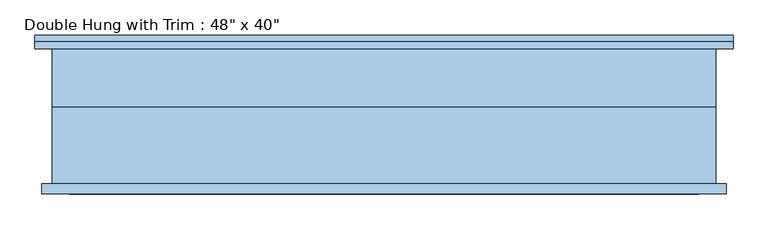
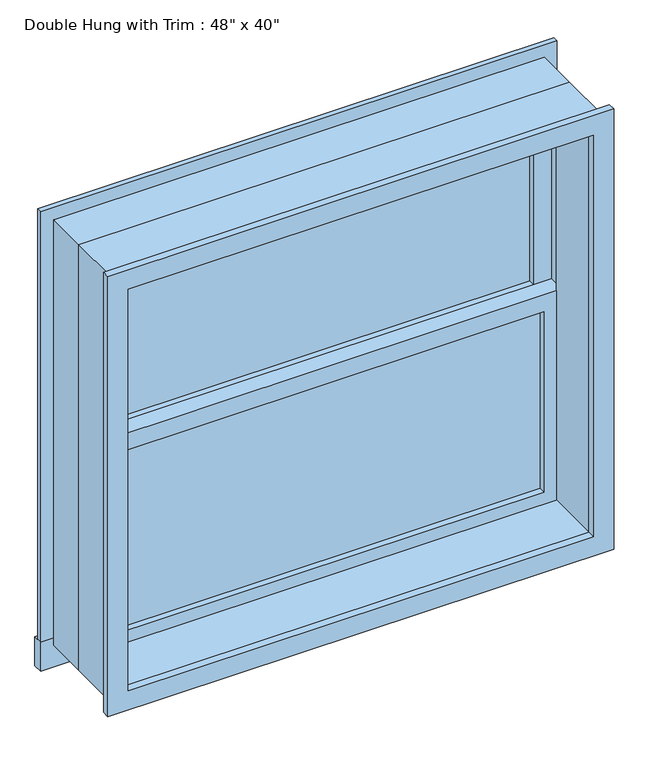
"""IFC4 building model written with IfcOpenShell, lengths in millimetres: window geometry."""

import ifcopenshell
import ifcopenshell.guid

model = None  # the IFC model being written
_history = None  # IfcOwnerHistory: only IFC2X3 demands one
_inside = {}  # id of a spatial element -> (the spatial element, [elements in it])
_under = {}  # id of a project, library or spatial element -> (it, [spatial elements below it])
_declared = {}  # id of a project -> (the project, [libraries it declares])
_typed = {}  # id of a type object -> (the type object, [elements of that type])
_made_of = {}  # id of a material, layer set ... -> (it, [elements and type objects made of it])


def new_model(schema):
    """Start an empty IFC model of exactly this schema.

    Asked for "IFC4X3", IfcOpenShell would pick the latest addendum, in which some entities
    have other attributes; the version numbers below select the first issue.
    IFC2X3 requires an IfcOwnerHistory on every rooted entity: one is made here for all.
    """
    global model, _history
    if schema == "IFC4X3":
        model = ifcopenshell.file(schema_version=(4, 3, 0, 0))
    else:
        model = ifcopenshell.file(schema=schema)
    _inside.clear()
    _under.clear()
    _declared.clear()
    _typed.clear()
    _made_of.clear()
    _history = None
    if model.schema == "IFC2X3":
        org = make("IfcOrganization", Name="unknown")
        user = make(
            "IfcPersonAndOrganization",
            ThePerson=make("IfcPerson", FamilyName="unknown"),
            TheOrganization=org,
        )
        app = make(
            "IfcApplication",
            ApplicationDeveloper=org,
            Version="unknown",
            ApplicationFullName="unknown",
            ApplicationIdentifier="unknown",
        )
        _history = make(
            "IfcOwnerHistory",
            OwningUser=user,
            OwningApplication=app,
            ChangeAction="ADDED",
            CreationDate=0,
        )
    return model


def make(cls, **values):
    """One entity of the class cls with the attributes given. An attribute that is None is left unset."""
    return model.create_entity(
        cls, **{name: value for name, value in values.items() if value is not None}
    )


def rooted(cls, **values):
    """An entity with a GlobalId (a new one), such as an element, a storey or a relation."""
    return make(cls, GlobalId=ifcopenshell.guid.new(), OwnerHistory=_history, **values)


def si_unit(unit_type, name, prefix=None):
    """IfcSIUnit, for example si_unit("LENGTHUNIT", "METRE", prefix="MILLI")."""
    return make("IfcSIUnit", UnitType=unit_type, Prefix=prefix, Name=name)


def assignment(units):
    """IfcUnitAssignment: the units of a project."""
    return None if units is None else make("IfcUnitAssignment", Units=units)


def point(xyz):
    """IfcCartesianPoint."""
    return None if xyz is None else make("IfcCartesianPoint", Coordinates=xyz)


def direction(xyz):
    """IfcDirection."""
    return None if xyz is None else make("IfcDirection", DirectionRatios=xyz)


def frame(location, z_axis=None, x_axis=None):
    """IfcAxis2Placement3D, a coordinate frame: its origin and axes. An axis left out is left unset."""
    return make(
        "IfcAxis2Placement3D",
        Location=point(location),
        Axis=direction(z_axis),
        RefDirection=direction(x_axis),
    )


def origin():
    """The frame at (0, 0, 0) with its axes left unset."""
    return frame((0.0, 0.0, 0.0))


def place(relative_to, where):
    """IfcLocalPlacement: puts the frame where relative to a parent placement (None: the world)."""
    return make(
        "IfcLocalPlacement", PlacementRelTo=relative_to, RelativePlacement=where
    )


def context(
    kind, dimensions, precision=None, world=None, true_north=None, identifier=None
):
    """IfcGeometricRepresentationContext, for example the 3D "Model" context."""
    return make(
        "IfcGeometricRepresentationContext",
        ContextIdentifier=identifier,
        ContextType=kind,
        CoordinateSpaceDimension=dimensions,
        Precision=precision,
        WorldCoordinateSystem=world,
        TrueNorth=true_north,
    )


def project(units=None, contexts=None):
    """IfcProject with its units and contexts."""
    return rooted(
        "IfcProject",
        Name="project",
        RepresentationContexts=contexts,
        UnitsInContext=assignment(units),
    )


def spatial(cls, under=None, at=None, **own):
    """A site, building, storey or space (cls), placed at a placement, below another one or the project."""
    s = rooted(cls, ObjectPlacement=at, **own)
    if under is not None:
        _under.setdefault(under.id(), (under, []))[1].append(s)
    return s


def polyline(points):
    """IfcPolyline through the points."""
    return make("IfcPolyline", Points=[point(p) for p in points])


def outline(outer, holes=None, kind="AREA"):
    """IfcArbitraryClosedProfileDef: a profile drawn as a closed curve; with holes, ...WithVoids."""
    if holes is None:
        return make("IfcArbitraryClosedProfileDef", ProfileType=kind, OuterCurve=outer)
    return make(
        "IfcArbitraryProfileDefWithVoids",
        ProfileType=kind,
        OuterCurve=outer,
        InnerCurves=holes,
    )


def extrude(swept, where, along, depth):
    """IfcExtrudedAreaSolid: the profile swept, set in the frame where, extruded along a direction by depth."""
    return make(
        "IfcExtrudedAreaSolid",
        SweptArea=swept,
        Position=where,
        ExtrudedDirection=direction(along),
        Depth=depth,
    )


def shape(context_of_items, identifier, shape_type, items):
    """IfcShapeRepresentation: the items that make up one representation, for example the "Body"."""
    return make(
        "IfcShapeRepresentation",
        ContextOfItems=context_of_items,
        RepresentationIdentifier=identifier,
        RepresentationType=shape_type,
        Items=items,
    )


def source(mapping_origin, context_of_items, identifier, shape_type, items):
    """IfcRepresentationMap: a shape defined once, which mapped items show again and again."""
    return make(
        "IfcRepresentationMap",
        MappingOrigin=mapping_origin,
        MappedRepresentation=shape(context_of_items, identifier, shape_type, items),
    )


def transform(
    local_origin,
    x_axis=None,
    y_axis=None,
    z_axis=None,
    scale=None,
    scale2=None,
    scale3=None,
    uniform=True,
):
    """IfcCartesianTransformationOperator3D, or its non-uniform kind. x_axis, y_axis, z_axis: its Axis1, 2, 3."""
    if uniform:
        return make(
            "IfcCartesianTransformationOperator3D",
            Axis1=direction(x_axis),
            Axis2=direction(y_axis),
            LocalOrigin=point(local_origin),
            Scale=scale,
            Axis3=direction(z_axis),
        )
    return make(
        "IfcCartesianTransformationOperator3DnonUniform",
        Axis1=direction(x_axis),
        Axis2=direction(y_axis),
        LocalOrigin=point(local_origin),
        Scale=scale,
        Axis3=direction(z_axis),
        Scale2=scale2,
        Scale3=scale3,
    )


def mapped(mapping_source, mapping_target):
    """IfcMappedItem: shows the shape of a source again, moved by a transform."""
    return make(
        "IfcMappedItem", MappingSource=mapping_source, MappingTarget=mapping_target
    )


def made_of(thing, what):
    """Note that an element or type object is made of a material, layer set ...; save() writes the relation."""
    if what is not None:
        _made_of.setdefault(what.id(), (what, []))[1].append(thing)
    return thing


def element(
    cls,
    number,
    at=None,
    inside=None,
    cuts=None,
    type_object=None,
    material=None,
    context=None,
    identifier="Body",
    shape_type=None,
    held_by="IfcProductDefinitionShape",
    body=None,
    shapes=None,
    **own,
):
    """One element of the class cls, such as IfcWall. Its Tag is "e" and its number.

    at: its placement. inside: the storey or other place that contains it. cuts: it is an
    opening in that element (IfcRelVoidsElement). A single representation is given by context,
    identifier, shape_type and body (its items); several are given by shapes. held_by: the class
    of the entity that holds the representations. save() writes the other relations.
    """
    e = rooted(cls, Tag="e%d" % number, ObjectPlacement=at, **own)
    if body is not None:
        shapes = [shape(context, identifier, shape_type, body)]
    if shapes is not None:
        e.Representation = make(held_by, Representations=shapes)
    if inside is not None:
        _inside.setdefault(inside.id(), (inside, []))[1].append(e)
    if cuts is not None:
        rooted(
            "IfcRelVoidsElement", RelatingBuildingElement=cuts, RelatedOpeningElement=e
        )
    if type_object is not None:
        _typed.setdefault(type_object.id(), (type_object, []))[1].append(e)
    return made_of(e, material)


def aggregate(whole, parts):
    """IfcRelAggregates: a whole, such as a stair, and the parts it consists of."""
    return rooted("IfcRelAggregates", RelatingObject=whole, RelatedObjects=parts)


def save(model, path):
    """Write the relations noted so far, then the file.

    IfcRelAggregates (storeys below a building ...), IfcRelContainedInSpatialStructure (elements
    in a storey), IfcRelDefinesByType, IfcRelAssociatesMaterial and IfcRelDeclares: one each for
    every whole, place, type object, material and project.
    """
    for whole, parts in _under.values():
        aggregate(whole, parts)
    for where, things in _inside.values():
        rooted(
            "IfcRelContainedInSpatialStructure",
            RelatedElements=things,
            RelatingStructure=where,
        )
    for kind, things in _typed.values():
        rooted("IfcRelDefinesByType", RelatedObjects=things, RelatingType=kind)
    for what, things in _made_of.values():
        rooted("IfcRelAssociatesMaterial", RelatedObjects=things, RelatingMaterial=what)
    for by, libraries in _declared.values():
        rooted("IfcRelDeclares", RelatingContext=by, RelatedDefinitions=libraries)
    model.write(path)


def window_bd2d773a(model_context):
    return source(origin(), model_context, "Body", "SweptSolid", [
        extrude(outline(polyline([(-546.1, 44.45), (546.1, 44.45), (546.1, 31.75), (-546.1, 31.75), (-546.1, 44.45)])), frame((0.0, 0.0, 673.1), z_axis=(0.0, 0.0, 1.0), x_axis=(1.0, 0.0, 0.0)), (0.0, 0.0, 1.0), 473.075),
        extrude(outline(polyline([(1190.625, -590.55), (628.65, -590.55), (628.65, 590.55), (1190.625, 590.55), (1190.625, -590.55)]), holes=[polyline([(1146.175, -546.1), (1146.175, 546.1), (673.1, 546.1), (673.1, -546.1), (1146.175, -546.1)])]), frame((0.0, 15.875, 0.0), z_axis=(0.0, 1.0, 0.0), x_axis=(0.0, 0.0, 1.0)), (0.0, 0.0, 1.0), 44.45),
        extrude(outline(polyline([(-641.35, 149.225), (641.35, 149.225), (641.35, 123.825), (-641.35, 123.825), (-641.35, 149.225)])), frame((0.0, 0.0, 552.45), z_axis=(0.0, 0.0, 1.0), x_axis=(1.0, 0.0, 0.0)), (0.0, 0.0, 1.0), 76.2),
        extrude(outline(polyline([(1708.15, -590.55), (1708.15, 590.55), (628.65, 590.55), (628.65, 641.35), (1758.95, 641.35), (1758.95, -641.35), (628.65, -641.35), (628.65, -590.55), (1708.15, -590.55)])), frame((0.0, 123.825, 0.0), z_axis=(0.0, 1.0, 0.0), x_axis=(0.0, 0.0, 1.0)), (0.0, 0.0, 1.0), 12.7),
        extrude(outline(polyline([(1746.25, 628.65), (1746.25, -628.65), (590.55, -628.65), (590.55, 628.65), (1746.25, 628.65)]), holes=[polyline([(1695.45, 577.85), (641.35, 577.85), (641.35, -577.85), (1695.45, -577.85), (1695.45, 577.85)])]), frame((0.0, -142.875, 0.0), z_axis=(0.0, 1.0, 0.0), x_axis=(0.0, 0.0, 1.0)), (0.0, 0.0, 1.0), 19.05),
        extrude(outline(polyline([(546.1, 76.2), (-546.1, 76.2), (-546.1, 88.9), (546.1, 88.9), (546.1, 76.2)])), frame((0.0, 0.0, 1190.625), z_axis=(0.0, 0.0, 1.0), x_axis=(1.0, 0.0, 0.0)), (0.0, 0.0, 1.0), 473.075),
        extrude(outline(polyline([(1708.15, -590.55), (1146.175, -590.55), (1146.175, 590.55), (1708.15, 590.55), (1708.15, -590.55)]), holes=[polyline([(1663.7, -546.1), (1663.7, 546.1), (1190.625, 546.1), (1190.625, -546.1), (1663.7, -546.1)])]), frame((0.0, 60.325, 0.0), z_axis=(0.0, 1.0, 0.0), x_axis=(0.0, 0.0, 1.0)), (0.0, 0.0, 1.0), 44.45),
        extrude(outline(polyline([(1727.2, -609.6), (609.6, -609.6), (609.6, 609.6), (1727.2, 609.6), (1727.2, -609.6)]), holes=[polyline([(1695.45, -577.85), (1695.45, 577.85), (641.35, 577.85), (641.35, -577.85), (1695.45, -577.85)])]), frame((0.0, -123.825, 0.0), z_axis=(0.0, 1.0, 0.0), x_axis=(0.0, 0.0, 1.0)), (0.0, 0.0, 1.0), 139.7),
        extrude(outline(polyline([(1727.2, 609.6), (1727.2, -609.6), (609.6, -609.6), (609.6, 609.6), (1727.2, 609.6)]), holes=[polyline([(1708.15, 590.55), (628.65, 590.55), (628.65, -590.55), (1708.15, -590.55), (1708.15, 590.55)])]), frame((0.0, 15.875, 0.0), z_axis=(0.0, 1.0, 0.0), x_axis=(0.0, 0.0, 1.0)), (0.0, 0.0, 1.0), 107.95),
    ])


if __name__ == "__main__":
    model = new_model("IFC4")
    model_context = context("Model", 3, world=origin())
    ifc_project = project(units=[si_unit("LENGTHUNIT", "METRE", prefix="MILLI")], contexts=[model_context])
    site = spatial("IfcSite", under=ifc_project)
    building = spatial("IfcBuilding", under=site)
    placement = place(None, origin())
    window_shape = window_bd2d773a(model_context)
    element("IfcWindow", 1, ObjectType="Double Hung with Trim : 48\" x 40\"", at=placement, inside=building, context=model_context, shape_type="MappedRepresentation", body=[
        mapped(window_shape, transform((0.0, 0.0, 0.0), x_axis=(1.0, 0.0, 0.0), y_axis=(0.0, 1.0, 0.0), z_axis=(0.0, 0.0, 1.0))),
    ])
    save(model, "model.ifc")
